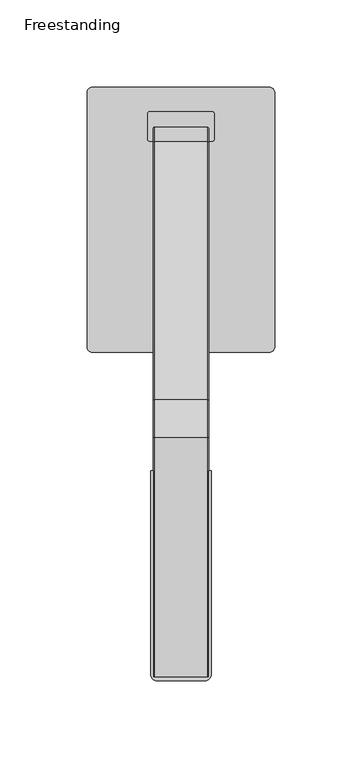
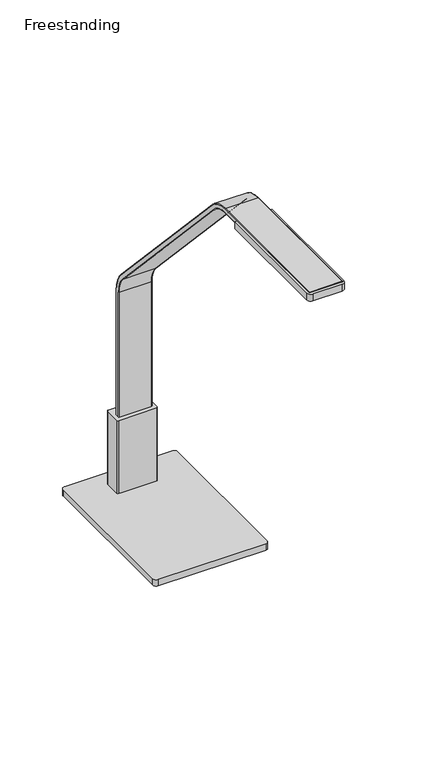
"""IFC4 building model written with IfcOpenShell, lengths in millimetres: furniture geometry, Freestanding."""

from ifc_helpers import new_model, si_unit, point, frame, frame_2d, origin, place, context, project, spatial, polyline, circle_curve, ellipse_curve, trimmed, segment, composite_curve, outline, extrude, source, transform, mapped, element, save
from ifc_brep_helpers import plane_surface, cylinder_surface, revolved_surface, advanced_brep


def freestanding_7c54152e(model_context):
    return source(origin(), model_context, "Body", "SolidModel", [
        extrude(outline(composite_curve([segment(trimmed(circle_curve(frame_2d((-41.2113861, 31.553418)), 6.35), [point((-47.5613861, 31.553418))], [point((-34.8613861, 31.553418))], False, "CARTESIAN"), True, "CONTINUOUS"), segment(trimmed(circle_curve(frame_2d((-41.2113861, 31.553418)), 6.35), [point((-34.8613861, 31.553418))], [point((-47.5613861, 31.553418))], False, "CARTESIAN"), True, "CONTINUOUS")], self_intersect=False)), frame((0.0, 0.0, 723.9), z_axis=(0.0, 0.0, 1.0), x_axis=(1.0, 0.0, 0.0)), (0.0, 0.0, 1.0), 4.7497828),
        extrude(outline(composite_curve([segment(trimmed(circle_curve(frame_2d((41.2113861, 31.553418)), 6.35), [point((47.5613861, 31.553418))], [point((34.8613861, 31.553418))], False, "CARTESIAN"), True, "CONTINUOUS"), segment(trimmed(circle_curve(frame_2d((41.2113861, 31.553418)), 6.35), [point((34.8613861, 31.553418))], [point((47.5613861, 31.553418))], False, "CARTESIAN"), True, "CONTINUOUS")], self_intersect=False)), frame((0.0, 0.0, 723.9), z_axis=(0.0, 0.0, 1.0), x_axis=(1.0, 0.0, 0.0)), (0.0, 0.0, 1.0), 4.7497828),
        extrude(outline(composite_curve([segment(trimmed(circle_curve(frame_2d((-41.2113861, -94.7478165)), 6.35), [point((-47.5613861, -94.7478165))], [point((-34.8613861, -94.7478165))], False, "CARTESIAN"), True, "CONTINUOUS"), segment(trimmed(circle_curve(frame_2d((-41.2113861, -94.7478165)), 6.35), [point((-34.8613861, -94.7478165))], [point((-47.5613861, -94.7478165))], False, "CARTESIAN"), True, "CONTINUOUS")], self_intersect=False)), frame((0.0, 0.0, 723.9), z_axis=(0.0, 0.0, 1.0), x_axis=(1.0, 0.0, 0.0)), (0.0, 0.0, 1.0), 4.7497828),
        extrude(outline(composite_curve([segment(trimmed(circle_curve(frame_2d((41.2113861, -94.7478165)), 6.35), [point((47.5613861, -94.7478165))], [point((34.8613861, -94.7478165))], False, "CARTESIAN"), True, "CONTINUOUS"), segment(trimmed(circle_curve(frame_2d((41.2113861, -94.7478165)), 6.35), [point((34.8613861, -94.7478165))], [point((47.5613861, -94.7478165))], False, "CARTESIAN"), True, "CONTINUOUS")], self_intersect=False)), frame((0.0, 0.0, 723.9), z_axis=(0.0, 0.0, 1.0), x_axis=(1.0, 0.0, 0.0)), (0.0, 0.0, 1.0), 4.7497828),
        extrude(outline(composite_curve([segment(polyline([(-53.9751938, -104.6222477), (-53.9751938, 41.4278492)]), True, "CONTINUOUS"), segment(trimmed(circle_curve(frame_2d((-50.8000969, 41.4278492)), 3.1750969), [point((-53.9751938, 41.4278492))], [point((-50.8000969, 44.6029461))], False, "CARTESIAN"), True, "CONTINUOUS"), segment(polyline([(-50.8000969, 44.6029461), (50.7995155, 44.6029461)]), True, "CONTINUOUS"), segment(trimmed(circle_curve(frame_2d((50.7995155, 41.4278492)), 3.1750969), [point((50.7995155, 44.6029461))], [point((53.9746124, 41.4278492))], False, "CARTESIAN"), True, "CONTINUOUS"), segment(polyline([(53.9746124, 41.4278492), (53.9746124, -104.6222477)]), True, "CONTINUOUS"), segment(trimmed(circle_curve(frame_2d((50.7998062, -104.6222477)), 3.1748062), [point((53.9746124, -104.6222477))], [point((50.7998062, -107.7970539))], False, "CARTESIAN"), True, "CONTINUOUS"), segment(polyline([(50.7998062, -107.7970539), (-50.8003876, -107.7970539)]), True, "CONTINUOUS"), segment(trimmed(circle_curve(frame_2d((-50.8003876, -104.6222477)), 3.1748062), [point((-50.8003876, -107.7970539))], [point((-53.9751938, -104.6222477))], False, "CARTESIAN"), True, "CONTINUOUS")], self_intersect=False)), frame((0.0, 0.0, 728.6497828), z_axis=(0.0, 0.0, 1.0), x_axis=(1.0, 0.0, 0.0)), (0.0, 0.0, 1.0), 6.3500484),
        extrude(outline(composite_curve([segment(trimmed(circle_curve(frame_2d((18.034, 29.4391905)), 1.016), [point((18.034, 30.4551905))], [point((19.05, 29.4391905))], False, "CARTESIAN"), True, "CONTINUOUS"), segment(polyline([(19.05, 29.4391905), (19.05, 14.5802157)]), True, "CONTINUOUS"), segment(trimmed(circle_curve(frame_2d((18.034, 14.5802157)), 1.016), [point((19.05, 14.5802157))], [point((18.034, 13.5642157))], False, "CARTESIAN"), True, "CONTINUOUS"), segment(polyline([(18.034, 13.5642157), (-18.034, 13.5642157)]), True, "CONTINUOUS"), segment(trimmed(circle_curve(frame_2d((-18.034, 14.5802157)), 1.016), [point((-18.034, 13.5642157))], [point((-19.05, 14.5802157))], False, "CARTESIAN"), True, "CONTINUOUS"), segment(polyline([(-19.05, 14.5802157), (-19.05, 29.4391905)]), True, "CONTINUOUS"), segment(trimmed(circle_curve(frame_2d((-18.034, 29.4391905)), 1.016), [point((-19.05, 29.4391905))], [point((-18.034, 30.4551905))], False, "CARTESIAN"), True, "CONTINUOUS"), segment(polyline([(-18.034, 30.4551905), (18.034, 30.4551905)]), True, "CONTINUOUS")], self_intersect=False)), frame((0.0, 0.0, 734.9998312), z_axis=(0.0, 0.0, 1.0), x_axis=(1.0, 0.0, 0.0)), (0.0, 0.0, 1.0), 73.0249688),
        extrude(outline(composite_curve([segment(polyline([(17.4750961, -176.0056678), (17.4750961, -292.8456678)]), True, "CONTINUOUS"), segment(trimmed(circle_curve(frame_2d((13.6650961, -292.8456678)), 3.81), [point((17.4750961, -292.8456678))], [point((13.6650961, -296.6556678))], False, "CARTESIAN"), True, "CONTINUOUS"), segment(polyline([(13.6650961, -296.6556678), (-13.6525, -296.6556678)]), True, "CONTINUOUS"), segment(trimmed(circle_curve(frame_2d((-13.6525, -292.8456678)), 3.81), [point((-13.6525, -296.6556678))], [point((-17.4625, -292.8456678))], False, "CARTESIAN"), True, "CONTINUOUS"), segment(polyline([(-17.4625, -292.8456678), (-17.4625, -176.0056678), (17.4750961, -176.0056678)]), True, "CONTINUOUS")], self_intersect=False)), frame((0.0, 0.0, 1113.9423787), z_axis=(0.0, 0.0, 1.0), x_axis=(1.0, 0.0, 0.0)), (0.0, 0.0, 1.0), 6.858),
        advanced_brep(
        [(-15.113, 21.5351681, 740.8420386), (15.113, 21.5351681, 740.8420386), (15.875, 20.7731681, 740.8420386), (15.875, 17.7251361, 740.8420386), (15.113, 16.9631361, 740.8420386), (-15.113, 16.9631361, 740.8420386), (-15.875, 17.7251361, 740.8420386), (-15.875, 20.7731681, 740.8420386), (-15.113, 21.5351681, 932.6306879), (15.113, 21.5351681, 932.6306879), (15.875, 20.7731681, 932.6306879), (15.875, 12.9261453, 952.5517272), (15.875, -135.4226637, 1111.6386569), (15.875, -156.7856729, 1120.9276496), (15.875, -294.313864, 1120.9276496), (15.875, -294.313864, 1117.8796176), (15.875, -156.7856729, 1117.8796176), (15.875, -137.6518682, 1109.5599202), (15.875, 10.6969408, 950.4729905), (15.875, 17.7251361, 932.6306879), (15.113, 16.9631361, 932.6306879), (-15.113, 16.9631361, 932.6306879), (-15.875, 17.7251361, 932.6306879), (-15.875, 10.6969408, 950.4729905), (-15.875, -137.6518682, 1109.5599202), (-15.875, -156.7856729, 1117.8796176), (-15.875, -294.313864, 1117.8796176), (-15.875, -294.313864, 1120.9276496), (-15.875, -156.7856729, 1120.9276496), (-15.875, -135.4226637, 1111.6386569), (-15.875, 12.9261453, 952.5517272), (-15.875, 20.7731681, 932.6306879), (15.113, 13.4834406, 953.0714059), (-15.113, 13.4834406, 953.0714059), (15.113, 10.1396455, 949.9533118), (-15.113, 10.1396455, 949.9533118), (-15.113, -134.8653684, 1112.1583356), (15.113, -134.8653684, 1112.1583356), (15.113, -138.2091635, 1109.0402415), (-15.113, -138.2091635, 1109.0402415), (15.113, -156.7856729, 1121.6896496), (-15.113, -156.7856729, 1121.6896496), (15.113, -156.7856729, 1117.1176176), (-15.113, -156.7856729, 1117.1176176), (-15.113, -294.313864, 1121.6896496), (-15.113, -294.313864, 1117.1176176), (15.113, -294.313864, 1117.1176176), (15.113, -294.313864, 1121.6896496)],
        [
            (0, 1),
            (1, 2, circle_curve(frame((15.113, 20.7731681, 740.8420386), z_axis=(0.0, 0.0, -1.0), x_axis=(0.0, -1.0, 0.0)), 0.762)),
            (2, 3),
            (3, 4, circle_curve(frame((15.113, 17.7251361, 740.8420386), z_axis=(0.0, 0.0, -1.0), x_axis=(0.0, -1.0, 0.0)), 0.762)),
            (4, 5),
            (5, 6, circle_curve(frame((-15.113, 17.7251361, 740.8420386), z_axis=(0.0, 0.0, -1.0), x_axis=(0.0, -1.0, 0.0)), 0.762)),
            (6, 7),
            (7, 0, circle_curve(frame((-15.113, 20.7731681, 740.8420386), z_axis=(0.0, 0.0, -1.0), x_axis=(0.0, -1.0, 0.0)), 0.762)),
            (0, 8),
            (8, 9),
            (9, 1),
            (9, 10, circle_curve(frame((15.113, 20.7731681, 932.6306879), z_axis=(0.0, 0.0, -1.0), x_axis=(0.0, -1.0, 0.0)), 0.762)),
            (10, 2),
            (10, 11, circle_curve(frame((15.875, -8.4368639, 932.6306879), z_axis=(1.0, 0.0, 0.0), x_axis=(0.0, 1.0, 0.0)), 29.210032)),
            (11, 12),
            (12, 13, circle_curve(frame((15.875, -156.7856729, 1091.7176176), z_axis=(1.0, 0.0, 0.0), x_axis=(0.0, 0.7313586383957666, 0.6819930659793324)), 29.210032)),
            (13, 14),
            (14, 15),
            (15, 16),
            (16, 17, circle_curve(frame((15.875, -156.7856729, 1091.7176176), z_axis=(-1.0, 0.0, 0.0), x_axis=(0.0, 0.7313586383957666, 0.6819930659793324)), 26.162)),
            (17, 18),
            (18, 19, circle_curve(frame((15.875, -8.4368639, 932.6306879), z_axis=(-1.0, 0.0, 0.0), x_axis=(0.0, 1.0, 0.0)), 26.162)),
            (19, 3),
            (19, 20, circle_curve(frame((15.113, 17.7251361, 932.6306879), z_axis=(0.0, 0.0, -1.0), x_axis=(0.0, -1.0, 0.0)), 0.762)),
            (20, 4),
            (20, 21),
            (21, 5),
            (21, 22, circle_curve(frame((-15.113, 17.7251361, 932.6306879), z_axis=(0.0, 0.0, -1.0), x_axis=(0.0, -1.0, 0.0)), 0.762)),
            (22, 6),
            (22, 23, circle_curve(frame((-15.875, -8.4368639, 932.6306879), z_axis=(1.0, 0.0, 0.0), x_axis=(0.0, 1.0, 0.0)), 26.162)),
            (23, 24),
            (24, 25, circle_curve(frame((-15.875, -156.7856729, 1091.7176176), z_axis=(1.0, 0.0, 0.0), x_axis=(0.0, 0.7313586383957666, 0.6819930659793324)), 26.162)),
            (25, 26),
            (26, 27),
            (27, 28),
            (28, 29, circle_curve(frame((-15.875, -156.7856729, 1091.7176176), z_axis=(-1.0, 0.0, 0.0), x_axis=(0.0, 0.7313586383957666, 0.6819930659793324)), 29.210032)),
            (29, 30),
            (30, 31, circle_curve(frame((-15.875, -8.4368639, 932.6306879), z_axis=(-1.0, 0.0, 0.0), x_axis=(0.0, 1.0, 0.0)), 29.210032)),
            (31, 7),
            (31, 8, circle_curve(frame((-15.113, 20.7731681, 932.6306879), z_axis=(0.0, 0.0, -1.0), x_axis=(0.0, -1.0, 0.0)), 0.762)),
            (32, 9, circle_curve(frame((15.113, -8.4368639, 932.6306879), z_axis=(-1.0, 0.0, 0.0), x_axis=(0.0, 1.0, 0.0)), 29.972032)),
            (8, 33, circle_curve(frame((-15.113, -8.4368639, 932.6306879), z_axis=(1.0, 0.0, 0.0), x_axis=(0.0, 1.0, 0.0)), 29.972032)),
            (33, 32),
            (32, 11, circle_curve(frame((15.113, 12.9261453, 952.5517272), z_axis=(0.0, 0.6819930659793713, -0.7313586383957306), x_axis=(0.0, -0.7313586383957306, -0.6819930659793713)), 0.762)),
            (34, 20, circle_curve(frame((15.113, -8.4368639, 932.6306879), z_axis=(-1.0, 0.0, 0.0), x_axis=(0.0, 1.0, 0.0)), 25.4)),
            (18, 34, circle_curve(frame((15.113, 10.6969408, 950.4729905), z_axis=(0.0, 0.6819930659793713, -0.7313586383957306), x_axis=(0.0, -0.7313586383957306, -0.6819930659793713)), 0.762)),
            (35, 21, circle_curve(frame((-15.113, -8.4368639, 932.6306879), z_axis=(-1.0, 0.0, 0.0), x_axis=(0.0, 1.0, 0.0)), 25.4)),
            (34, 35),
            (35, 23, circle_curve(frame((-15.113, 10.6969408, 950.4729905), z_axis=(0.0, 0.6819930659793686, -0.731358638395733), x_axis=(0.0, -0.731358638395733, -0.6819930659793686)), 0.762)),
            (30, 33, circle_curve(frame((-15.113, 12.9261453, 952.5517272), z_axis=(0.0, 0.6819930659793715, -0.7313586383957303), x_axis=(0.0, -0.7313586383957303, -0.6819930659793715)), 0.762)),
            (33, 36),
            (36, 37),
            (37, 32),
            (37, 12, circle_curve(frame((15.113, -135.4226637, 1111.6386569), z_axis=(0.0, 0.6819930659793657, -0.7313586383957357), x_axis=(0.0, -0.7313586383957357, -0.6819930659793657)), 0.762)),
            (17, 38, circle_curve(frame((15.113, -137.6518682, 1109.5599202), z_axis=(0.0, 0.6819930659793657, -0.7313586383957357), x_axis=(0.0, -0.7313586383957357, -0.6819930659793657)), 0.762)),
            (38, 34),
            (38, 39),
            (39, 35),
            (39, 24, circle_curve(frame((-15.113, -137.6518682, 1109.5599202), z_axis=(0.0, 0.6819930659793657, -0.7313586383957357), x_axis=(0.0, -0.7313586383957357, -0.6819930659793657)), 0.762)),
            (29, 36, circle_curve(frame((-15.113, -135.4226637, 1111.6386569), z_axis=(0.0, 0.6819930659793657, -0.7313586383957357), x_axis=(0.0, -0.7313586383957357, -0.6819930659793657)), 0.762)),
            (40, 37, circle_curve(frame((15.113, -156.7856729, 1091.7176176), z_axis=(-1.0, 0.0, 0.0), x_axis=(0.0, 0.7313586383957666, 0.6819930659793324)), 29.972032)),
            (36, 41, circle_curve(frame((-15.113, -156.7856729, 1091.7176176), z_axis=(1.0, 0.0, 0.0), x_axis=(0.0, 0.7313586383957666, 0.6819930659793324)), 29.972032)),
            (41, 40),
            (40, 13, circle_curve(frame((15.113, -156.7856729, 1120.9276496), z_axis=(0.0, 0.9999999999999999, 0.0), x_axis=(0.0, 0.0, -0.9999999999999999)), 0.762)),
            (42, 38, circle_curve(frame((15.113, -156.7856729, 1091.7176176), z_axis=(-1.0, 0.0, 0.0), x_axis=(0.0, 0.7313586383957666, 0.6819930659793324)), 25.4)),
            (16, 42, circle_curve(frame((15.113, -156.7856729, 1117.8796176), z_axis=(0.0, 0.9999999999999999, 0.0), x_axis=(0.0, 0.0, -0.9999999999999999)), 0.762)),
            (43, 39, circle_curve(frame((-15.113, -156.7856729, 1091.7176176), z_axis=(-1.0, 0.0, 0.0), x_axis=(0.0, 0.7313586383957666, 0.6819930659793324)), 25.4)),
            (42, 43),
            (43, 25, circle_curve(frame((-15.113, -156.7856729, 1117.8796176), z_axis=(0.0, 0.9999999999999998, 0.0), x_axis=(0.0, 0.0, -0.9999999999999998)), 0.762)),
            (28, 41, circle_curve(frame((-15.113, -156.7856729, 1120.9276496), z_axis=(0.0, 0.9999999999999999, 0.0), x_axis=(0.0, 0.0, -0.9999999999999999)), 0.762)),
            (44, 27, circle_curve(frame((-15.113, -294.313864, 1120.9276496), z_axis=(0.0, -1.0, 0.0), x_axis=(0.0, 0.0, -1.0)), 0.762)),
            (26, 45, circle_curve(frame((-15.113, -294.313864, 1117.8796176), z_axis=(0.0, -1.0, 0.0), x_axis=(0.0, 0.0, -1.0)), 0.762)),
            (45, 46),
            (46, 15, circle_curve(frame((15.113, -294.313864, 1117.8796176), z_axis=(0.0, -1.0, 0.0), x_axis=(0.0, 0.0, -1.0)), 0.762)),
            (14, 47, circle_curve(frame((15.113, -294.313864, 1120.9276496), z_axis=(0.0, -1.0, 0.0), x_axis=(0.0, 0.0, -1.0)), 0.762)),
            (47, 44),
            (41, 44),
            (47, 40),
            (46, 42),
            (45, 43),
        ],
        [
            plane_surface(frame((0.0, 16.9631361, 740.8420386), z_axis=(0.0, 0.0, -1.0), x_axis=(1.0, 0.0, 0.0))),
            plane_surface(frame((-15.113, 21.5351681, 740.8420386), z_axis=(0.0, 1.0, 0.0), x_axis=(0.0, 0.0, 1.0))),
            cylinder_surface(frame((15.113, 20.7731681, 740.8420386), z_axis=(0.0, 0.0, -1.0), x_axis=(0.0, -1.0, 0.0)), 0.762),
            plane_surface(frame((15.875, 20.7731681, 740.8420386), z_axis=(1.0, 0.0, 0.0), x_axis=(0.0, 0.0, 1.0))),
            cylinder_surface(frame((15.113, 17.7251361, 740.8420386), z_axis=(0.0, 0.0, -1.0), x_axis=(0.0, -1.0, 0.0)), 0.762),
            plane_surface(frame((15.113, 16.9631361, 740.8420386), z_axis=(0.0, -1.0, 0.0), x_axis=(0.0, 0.0, 1.0))),
            cylinder_surface(frame((-15.113, 17.7251361, 740.8420386), z_axis=(0.0, 0.0, -1.0), x_axis=(0.0, -1.0, 0.0)), 0.762),
            plane_surface(frame((-15.875, 17.7251361, 740.8420386), z_axis=(-1.0, 0.0, 0.0), x_axis=(0.0, 0.0, 1.0))),
            cylinder_surface(frame((-15.113, 20.7731681, 740.8420386), z_axis=(0.0, 0.0, -1.0), x_axis=(0.0, -1.0, 0.0)), 0.762),
            cylinder_surface(frame((0.0, -8.4368639, 932.6306879), z_axis=(1.0, 0.0, 0.0), x_axis=(0.0, 1.0, 0.0)), 29.972032),
            revolved_surface(trimmed(ellipse_curve(frame((15.113, 20.7731681, 932.6306879), z_axis=(0.0, 0.0, -1.0), x_axis=(0.0, -1.0, 0.0)), 0.762, 0.762), [point((15.113, 21.5351681, 932.6306879))], [point((15.875, 20.7731681, 932.6306879))], True, "CARTESIAN"), (0.0, -8.4368639, 932.6306879), (1.0, 0.0, 0.0)),
            revolved_surface(trimmed(ellipse_curve(frame((15.113, 17.7251361, 932.6306879), z_axis=(0.0, 0.0, -1.0), x_axis=(0.0, -1.0, 0.0)), 0.762, 0.762), [point((15.875, 17.7251361, 932.6306879))], [point((15.113, 16.9631361, 932.6306879))], True, "CARTESIAN"), (0.0, -8.4368639, 932.6306879), (1.0, 0.0, 0.0)),
            revolved_surface(polyline([(15.113, 16.9631361, 932.6306879), (-15.113, 16.9631361, 932.6306879)]), (0.0, -8.4368639, 932.6306879), (1.0, 0.0, 0.0)),
            revolved_surface(trimmed(ellipse_curve(frame((-15.113, 17.7251361, 932.6306879), z_axis=(0.0, 0.0, -1.0), x_axis=(0.0, -1.0, 0.0)), 0.762, 0.762), [point((-15.113, 16.9631361, 932.6306879))], [point((-15.875, 17.7251361, 932.6306879))], True, "CARTESIAN"), (0.0, -8.4368639, 932.6306879), (1.0, 0.0, 0.0)),
            revolved_surface(trimmed(ellipse_curve(frame((-15.113, 20.7731681, 932.6306879), z_axis=(0.0, 0.0, -1.0), x_axis=(0.0, -1.0, 0.0)), 0.762, 0.762), [point((-15.875, 20.7731681, 932.6306879))], [point((-15.113, 21.5351681, 932.6306879))], True, "CARTESIAN"), (0.0, -8.4368639, 932.6306879), (1.0, 0.0, 0.0)),
            plane_surface(frame((-15.113, 13.4834406, 953.0714059), z_axis=(0.0, 0.7313586383957357, 0.6819930659793657), x_axis=(0.0, -0.6819930659793657, 0.7313586383957357))),
            cylinder_surface(frame((15.113, 12.9261453, 952.5517272), z_axis=(0.0, 0.6819930659793657, -0.7313586383957357), x_axis=(0.0, -0.7313586383957357, -0.6819930659793657)), 0.762),
            cylinder_surface(frame((15.113, 10.6969408, 950.4729905), z_axis=(0.0, 0.6819930659793657, -0.7313586383957357), x_axis=(0.0, -0.7313586383957357, -0.6819930659793657)), 0.762),
            plane_surface(frame((15.113, 10.1396455, 949.9533118), z_axis=(0.0, -0.731358638395736, -0.6819930659793655), x_axis=(0.0, -0.6819930659793655, 0.731358638395736))),
            cylinder_surface(frame((-15.113, 10.6969408, 950.4729905), z_axis=(0.0, 0.6819930659793657, -0.7313586383957357), x_axis=(0.0, -0.7313586383957357, -0.6819930659793657)), 0.762),
            cylinder_surface(frame((-15.113, 12.9261453, 952.5517272), z_axis=(0.0, 0.6819930659793657, -0.7313586383957357), x_axis=(0.0, -0.7313586383957357, -0.6819930659793657)), 0.762),
            cylinder_surface(frame((0.0, -156.7856729, 1091.7176176), z_axis=(1.0, 0.0, 0.0), x_axis=(0.0, 0.7313586383957666, 0.6819930659793324)), 29.972032),
            revolved_surface(trimmed(ellipse_curve(frame((15.113, -135.4226637, 1111.6386569), z_axis=(0.0, 0.6819930659793324, -0.7313586383957666), x_axis=(0.0, -0.7313586383957666, -0.6819930659793324)), 0.762, 0.762), [point((15.113, -134.8653684, 1112.1583356))], [point((15.875, -135.4226637, 1111.6386569))], True, "CARTESIAN"), (0.0, -156.7856729, 1091.7176176), (1.0, 0.0, 0.0)),
            revolved_surface(trimmed(ellipse_curve(frame((15.113, -137.6518682, 1109.5599202), z_axis=(0.0, 0.6819930659793324, -0.7313586383957666), x_axis=(0.0, -0.7313586383957666, -0.6819930659793324)), 0.762, 0.762), [point((15.875, -137.6518682, 1109.5599202))], [point((15.113, -138.2091635, 1109.0402415))], True, "CARTESIAN"), (0.0, -156.7856729, 1091.7176176), (1.0, 0.0, 0.0)),
            revolved_surface(polyline([(15.113, -138.20916348474753, 1109.040241475875), (-15.113, -138.20916348474753, 1109.040241475875)]), (0.0, -156.7856729, 1091.7176176), (1.0, 0.0, 0.0)),
            revolved_surface(trimmed(ellipse_curve(frame((-15.113, -137.6518682, 1109.5599202), z_axis=(0.0, 0.6819930659793324, -0.7313586383957666), x_axis=(0.0, -0.7313586383957666, -0.6819930659793324)), 0.762, 0.762), [point((-15.113, -138.2091635, 1109.0402415))], [point((-15.875, -137.6518682, 1109.5599202))], True, "CARTESIAN"), (0.0, -156.7856729, 1091.7176176), (1.0, 0.0, 0.0)),
            revolved_surface(trimmed(ellipse_curve(frame((-15.113, -135.4226637, 1111.6386569), z_axis=(0.0, 0.6819930659793324, -0.7313586383957666), x_axis=(0.0, -0.7313586383957666, -0.6819930659793324)), 0.762, 0.762), [point((-15.875, -135.4226637, 1111.6386569))], [point((-15.113, -134.8653684, 1112.1583356))], True, "CARTESIAN"), (0.0, -156.7856729, 1091.7176176), (1.0, 0.0, 0.0)),
            plane_surface(frame((0.0, -294.313864, 1117.1176176), z_axis=(0.0, -1.0, 0.0), x_axis=(1.0, 0.0, 0.0))),
            plane_surface(frame((-15.113, -156.7856729, 1121.6896496), z_axis=(0.0, 0.0, 1.0), x_axis=(0.0, -1.0, 0.0))),
            cylinder_surface(frame((15.113, -156.7856729, 1120.9276496), z_axis=(0.0, 1.0, 0.0), x_axis=(0.0, 0.0, -1.0)), 0.762),
            cylinder_surface(frame((15.113, -156.7856729, 1117.8796176), z_axis=(0.0, 1.0, 0.0), x_axis=(0.0, 0.0, -1.0)), 0.762),
            plane_surface(frame((15.113, -156.7856729, 1117.1176176), z_axis=(0.0, 0.0, -1.0), x_axis=(0.0, -1.0, 0.0))),
            cylinder_surface(frame((-15.113, -156.7856729, 1117.8796176), z_axis=(0.0, 1.0, 0.0), x_axis=(0.0, 0.0, -1.0)), 0.762),
            cylinder_surface(frame((-15.113, -156.7856729, 1120.9276496), z_axis=(0.0, 1.0, 0.0), x_axis=(0.0, 0.0, -1.0)), 0.762),
        ],
        [
            (0, [[1, 2, 3, 4, 5, 6, 7, 8]]),
            (1, [[-1, 9, 10, 11]]),
            (2, [[-2, -11, 12, 13]]),
            (3, [[-3, -13, 14, 15, 16, 17, 18, 19, 20, 21, 22, 23]]),
            (4, [[-4, -23, 24, 25]]),
            (5, [[-5, -25, 26, 27]]),
            (6, [[-6, -27, 28, 29]]),
            (7, [[-7, -29, 30, 31, 32, 33, 34, 35, 36, 37, 38, 39]]),
            (8, [[-8, -39, 40, -9]]),
            (9, [[41, -10, 42, 43]]),
            (10, [[-14, -12, -41, 44]]),
            (11, [[45, -24, -22, 46]]),
            (12, [[47, -26, -45, 48]]),
            (13, [[-30, -28, -47, 49]]),
            (14, [[-42, -40, -38, 50]]),
            (15, [[-43, 51, 52, 53]]),
            (16, [[-44, -53, 54, -15]]),
            (17, [[-46, -21, 55, 56]]),
            (18, [[-48, -56, 57, 58]]),
            (19, [[-49, -58, 59, -31]]),
            (20, [[-50, -37, 60, -51]]),
            (21, [[61, -52, 62, 63]]),
            (22, [[-16, -54, -61, 64]]),
            (23, [[65, -55, -20, 66]]),
            (24, [[67, -57, -65, 68]]),
            (25, [[-32, -59, -67, 69]]),
            (26, [[-62, -60, -36, 70]]),
            (27, [[71, -34, 72, 73, 74, -18, 75, 76]]),
            (28, [[-63, 77, -76, 78]]),
            (29, [[-64, -78, -75, -17]]),
            (30, [[-66, -19, -74, 79]]),
            (31, [[-68, -79, -73, 80]]),
            (32, [[-69, -80, -72, -33]]),
            (33, [[-70, -35, -71, -77]]),
        ],
    ),
    ])


if __name__ == "__main__":
    model = new_model("IFC4")
    model_context = context("Model", 3, world=origin())
    ifc_project = project(units=[si_unit("LENGTHUNIT", "METRE", prefix="MILLI")], contexts=[model_context])
    site = spatial("IfcSite", under=ifc_project)
    building = spatial("IfcBuilding", under=site)
    placement = place(None, origin())
    freestanding_shape = freestanding_7c54152e(model_context)
    element("IfcFurniture", 1, ObjectType="Freestanding", at=placement, inside=building, context=model_context, shape_type="MappedRepresentation", body=[
        mapped(freestanding_shape, transform((0.0, 0.0, 0.0), x_axis=(1.0, 0.0, 0.0), y_axis=(0.0, 1.0, 0.0), z_axis=(0.0, 0.0, 1.0))),
    ])
    save(model, "model.ifc")
